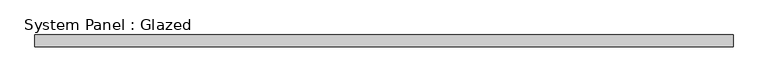
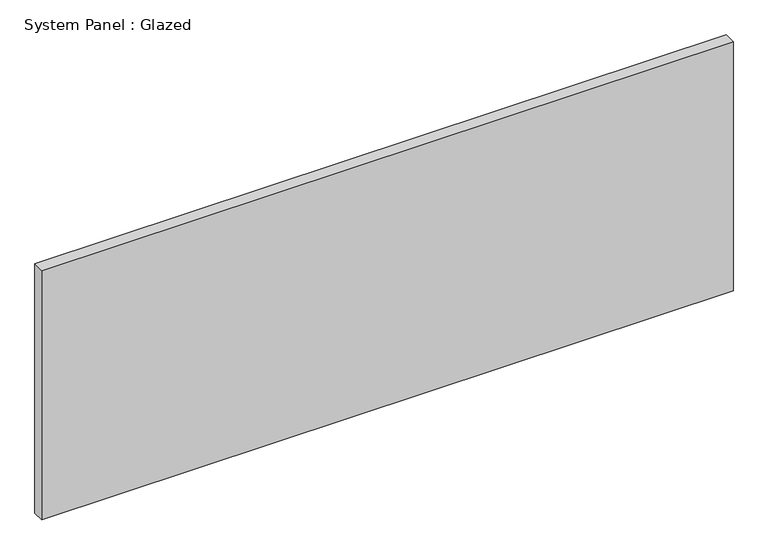
"""IFC4 building model written with IfcOpenShell, lengths in millimetres: plate geometry, System Panel : Glazed."""

from ifc_helpers import new_model, si_unit, origin, origin_with_axes, place, context, project, spatial, polyline, outline, extrude, source, transform, mapped, element, save


def system_panel_glazed_8927bdf2(model_context):
    return source(origin(), model_context, "Body", "SweptSolid", [
        extrude(outline(polyline([(744.2501096, 24.5), (-744.2501096, 24.5), (-744.2501096, 49.5), (744.2501096, 49.5), (744.2501096, 24.5)])), origin_with_axes(), (0.0, 0.0, 1.0), 567.0666667),
    ])


if __name__ == "__main__":
    model = new_model("IFC4")
    model_context = context("Model", 3, world=origin())
    ifc_project = project(units=[si_unit("LENGTHUNIT", "METRE", prefix="MILLI")], contexts=[model_context])
    site = spatial("IfcSite", under=ifc_project)
    building = spatial("IfcBuilding", under=site)
    placement = place(None, origin())
    system_panel_glazed_shape = system_panel_glazed_8927bdf2(model_context)
    element("IfcPlate", 1, ObjectType="System Panel : Glazed", at=placement, inside=building, context=model_context, shape_type="MappedRepresentation", body=[
        mapped(system_panel_glazed_shape, transform((0.0, 0.0, 0.0), x_axis=(1.0, 0.0, 0.0), y_axis=(0.0, 1.0, 0.0), z_axis=(0.0, 0.0, 1.0))),
    ])
    save(model, "model.ifc")
